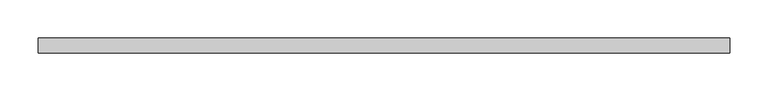
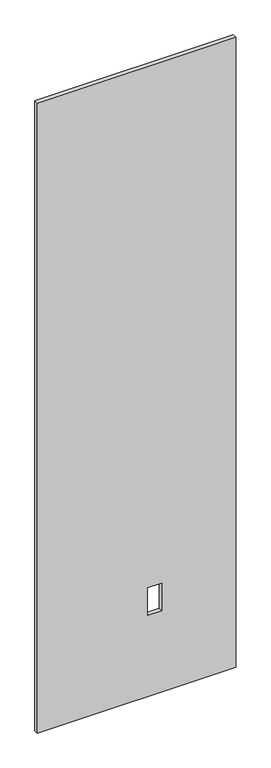
"""IFC4 building model written with IfcOpenShell, lengths in millimetres: proxy geometry."""

from ifc_helpers import new_model, si_unit, frame, origin, place, context, project, spatial, polyline, outline, extrude, source, transform, mapped, element, save


def specialty_equipment_913e2f21(model_context):
    return source(origin(), model_context, "Body", "SweptSolid", [
        extrude(outline(polyline([(3016.25, 448.9044872), (3016.25, -448.9044872), (3.175, -448.9044872), (3.175, 448.9044872), (3016.25, 448.9044872)]), holes=[polyline([(522.478, 112.8268), (391.922, 112.8268), (391.922, 51.3588), (522.478, 51.3588), (522.478, 112.8268)])]), frame((0.0, -9.525, 0.0), z_axis=(0.0, 1.0, 0.0), x_axis=(0.0, 0.0, 1.0)), (0.0, 0.0, 1.0), 19.05),
    ])


if __name__ == "__main__":
    model = new_model("IFC4")
    model_context = context("Model", 3, world=origin())
    ifc_project = project(units=[si_unit("LENGTHUNIT", "METRE", prefix="MILLI")], contexts=[model_context])
    site = spatial("IfcSite", under=ifc_project)
    building = spatial("IfcBuilding", under=site)
    placement = place(None, origin())
    specialty_equipment_shape = specialty_equipment_913e2f21(model_context)
    element("IfcBuildingElementProxy", 1, Name="Specialty Equipment", at=placement, inside=building, context=model_context, shape_type="MappedRepresentation", body=[
        mapped(specialty_equipment_shape, transform((0.0, 0.0, 0.0), x_axis=(1.0, 0.0, 0.0), y_axis=(0.0, 1.0, 0.0), z_axis=(0.0, 0.0, 1.0))),
    ])
    save(model, "model.ifc")
